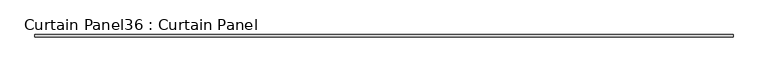
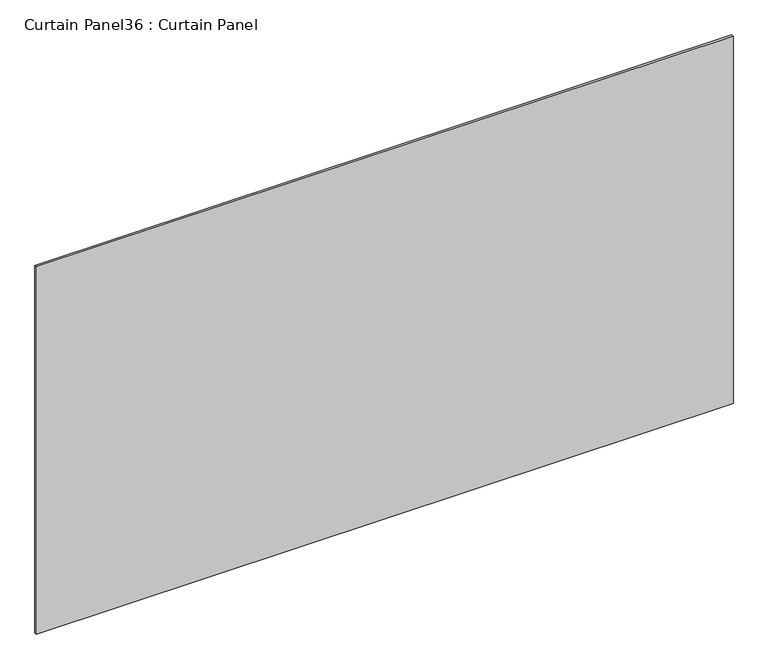
"""IFC4 building model written with IfcOpenShell, lengths in millimetres: plate geometry, Curtain Panel36 : Curtain Panel."""

from ifc_helpers import new_model, si_unit, frame, origin, place, context, project, spatial, polyline, outline, extrude, source, transform, mapped, element, save


def curtain_panel36_curtain_panel_c10249ee(model_context):
    return source(origin(), model_context, "Body", "SweptSolid", [
        extrude(outline(polyline([(-9983.534565, 666.0938036), (-11919.2498086, 666.0938036), (-11919.2498086, 672.4438036), (-9983.534565, 672.4438036), (-9983.534565, 666.0938036)])), frame((0.0, 0.0, 3038.8829568), z_axis=(0.0, 0.0, 1.0), x_axis=(1.0, 0.0, 0.0)), (0.0, 0.0, 1.0), 1079.387759),
    ])


if __name__ == "__main__":
    model = new_model("IFC4")
    model_context = context("Model", 3, world=origin())
    ifc_project = project(units=[si_unit("LENGTHUNIT", "METRE", prefix="MILLI")], contexts=[model_context])
    site = spatial("IfcSite", under=ifc_project)
    building = spatial("IfcBuilding", under=site)
    placement = place(None, origin())
    curtain_panel36_curtain_panel_shape = curtain_panel36_curtain_panel_c10249ee(model_context)
    element("IfcPlate", 1, ObjectType="Curtain Panel36 : Curtain Panel", at=placement, inside=building, context=model_context, shape_type="MappedRepresentation", body=[
        mapped(curtain_panel36_curtain_panel_shape, transform((0.0, 0.0, 0.0), x_axis=(1.0, 0.0, 0.0), y_axis=(0.0, 1.0, 0.0), z_axis=(0.0, 0.0, 1.0))),
    ])
    save(model, "model.ifc")
